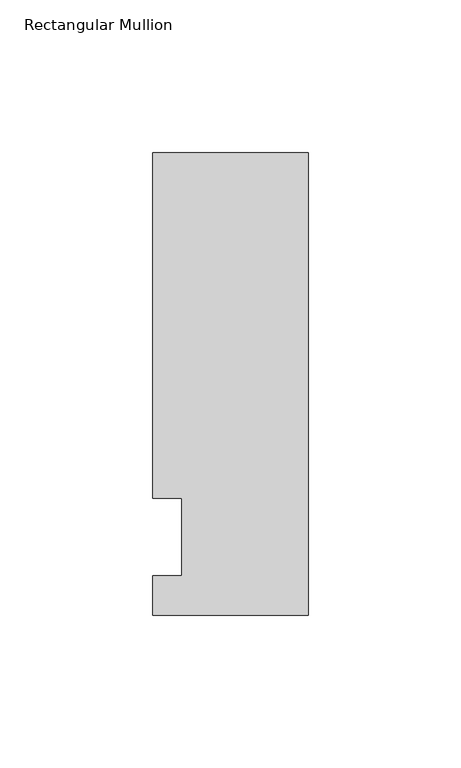
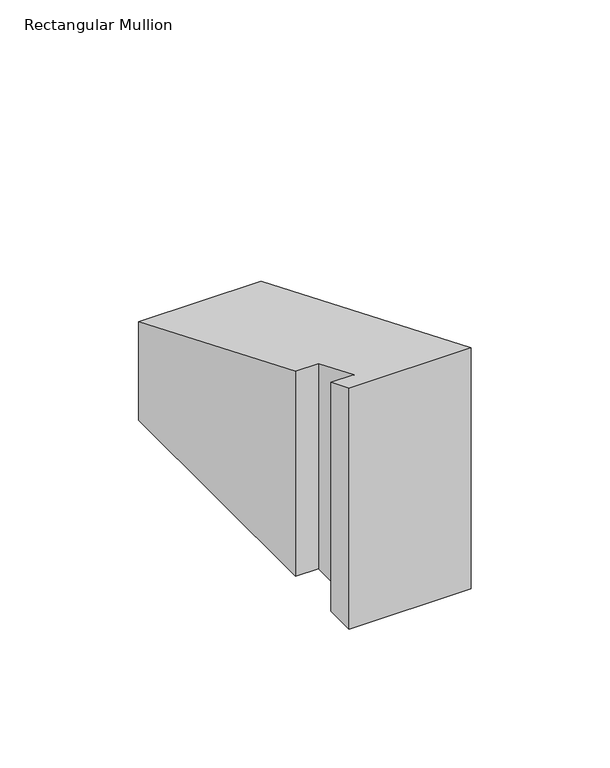
"""IFC4 building model written with IfcOpenShell, lengths in millimetres: member geometry, Rectangular Mullion."""

from ifc_helpers import new_model, si_unit, origin, place, context, project, spatial, faceted_brep, source, transform, mapped, element, save


def rectangular_mullion_9b5c5c17(model_context):
    return source(origin(), model_context, "Body", "Brep", [
        faceted_brep([(-50.8, -25.5984375, -95.25), (-50.8, -12.7, -95.25), (-41.275, -12.7, -95.25), (-41.275, 12.7, -95.25), (-50.8, 12.7, -95.25), (-50.8, 125.6109375, -95.25), (0.0, 125.6109375, -95.25), (0.0, -25.5984375, -95.25), (0.0, -25.5984375, 10.60322), (-50.8, -25.5984375, 10.60322), (0.0, 125.6109375, -52.0297539), (-50.8, 125.6109375, -52.0297539), (-50.8, 12.7, -5.2605122), (-41.275, 12.7, -5.2605122), (-41.275, -12.7, 5.2605122), (-50.8, -12.7, 5.2605122)], [[[0, 1, 2, 3, 4, 5, 6, 7]], [[8, 9, 0, 7]], [[10, 8, 7, 6]], [[11, 10, 6, 5]], [[12, 11, 5, 4]], [[13, 12, 4, 3]], [[14, 13, 3, 2]], [[15, 14, 2, 1]], [[9, 15, 1, 0]], [[9, 8, 10, 11, 12, 13, 14, 15]]]),
    ])


if __name__ == "__main__":
    model = new_model("IFC4")
    model_context = context("Model", 3, world=origin())
    ifc_project = project(units=[si_unit("LENGTHUNIT", "METRE", prefix="MILLI")], contexts=[model_context])
    site = spatial("IfcSite", under=ifc_project)
    building = spatial("IfcBuilding", under=site)
    placement = place(None, origin())
    rectangular_mullion_shape = rectangular_mullion_9b5c5c17(model_context)
    element("IfcMember", 1, ObjectType="Rectangular Mullion", at=placement, inside=building, context=model_context, shape_type="MappedRepresentation", body=[
        mapped(rectangular_mullion_shape, transform((0.0, 0.0, 0.0), x_axis=(1.0, 0.0, 0.0), y_axis=(0.0, 1.0, 0.0), z_axis=(0.0, 0.0, 1.0))),
    ])
    save(model, "model.ifc")
